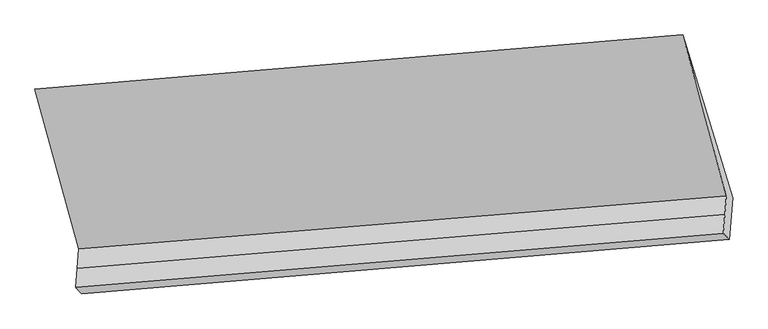
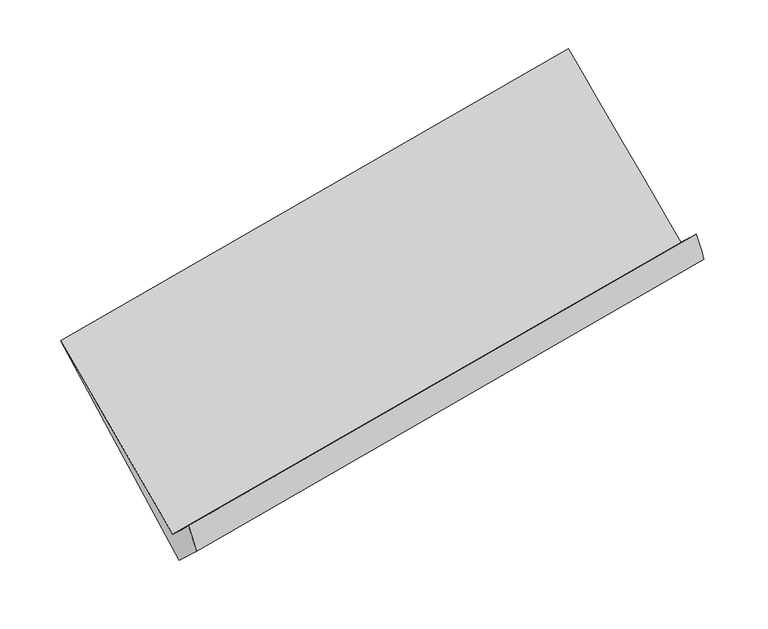
"""IFC4 building model written with IfcOpenShell, lengths in millimetres: proxy geometry."""

from ifc_helpers import new_model, si_unit, frame, origin, place, context, project, spatial, source, transform, mapped, element, save
from ifc_brep_helpers import plane_surface, spline_surface, advanced_brep


def generic_models_81784ad7(model_context):
    return source(origin(), model_context, "Body", "AdvancedBrep", [
        advanced_brep(
        [(-5160.9927415, -1767.1847206, 1282.4882376), (-5172.0272812, -1906.3680873, 1408.3538104), (-477.9407065, -1518.6283947, 2240.7806612), (-467.183988, -1382.9493058, 2118.0840585), (-5183.0618208, -2045.551454, 1534.2193833), (-488.6974249, -1654.3074836, 2363.4772639), (-5139.1831023, -2092.5939375, 1313.7914716), (-445.5959716, -1697.9682687, 2145.76543), (-5114.6827004, -1783.5598938, 1034.3274244), (-421.7587982, -1397.2998085, 1873.8665035), (-5477.2325877, -607.3549025, 2488.3259679), (-783.8740391, -214.8769532, 3322.5642194)],
        [
            (0, 1),
            (1, 2),
            (2, 3),
            (3, 0),
            (1, 4),
            (4, 5),
            (5, 2),
            (4, 6),
            (6, 7),
            (7, 5),
            (6, 8),
            (8, 9),
            (9, 7),
            (8, 10),
            (10, 11),
            (11, 9),
            (10, 0),
            (3, 11),
        ],
        [
            plane_surface(frame((-5166.5100113, -1836.776404, 1345.421024), z_axis=(-0.18313942225270943, 0.6673346832201069, 0.7218894462370699), x_axis=(-0.05870107587958567, -0.7404217683629253, 0.6695743339054281))),
            plane_surface(frame((-5177.544551, -1975.9597707, 1471.2865969), z_axis=(-0.1831394222527104, 0.6673346832200938, 0.7218894462370818), x_axis=(-0.0587010758794912, -0.7404217683629297, 0.6695743339054315))),
            spline_surface(1, 1, [[(-5183.0618208, -2045.551454, 1534.2193833), (-488.6974249, -1654.3074836, 2363.4772639)], [(-5139.1831023, -2092.5939375, 1313.7914716), (-445.5959716, -1697.9682687, 2145.76543)]], [2, 2], [2, 2], [0.0, 1.0], [0.0, 1.0]),
            plane_surface(frame((-5126.9329013, -1938.0769156, 1174.059448), z_axis=(0.18403383748045227, -0.6672612578039432, -0.721729838995256), x_axis=(0.05870107587954301, 0.7404217683629261, -0.669574333905431))),
            spline_surface(1, 1, [[(-5114.6827004, -1783.5598938, 1034.3274244), (-421.7587982, -1397.2998085, 1873.8665035)], [(-5477.2325877, -607.3549025, 2488.3259679), (-783.8740391, -214.8769532, 3322.5642194)]], [2, 2], [2, 2], [0.0, 1.0], [0.0, 1.0]),
            spline_surface(1, 1, [[(-5477.2325877, -607.3549025, 2488.3259679), (-783.8740391, -214.8769532, 3322.5642194)], [(-5160.9927415, -1767.1847206, 1282.4882376), (-467.183988, -1382.9493058, 2118.0840585)]], [2, 2], [2, 2], [0.0, 1.0], [0.0, 1.0]),
            plane_surface(frame((-521.4220444, -1269.480364, 2364.7514951), z_axis=(0.9806251409547709, 0.08280176733472086, 0.17753365949498884), x_axis=(-0.19011421106729098, 0.6207841120343692, 0.7605811416252451))),
            plane_surface(frame((-5215.0305905, -1659.2489817, 1530.6304969), z_axis=(-0.9806251409547712, -0.08280176733472583, -0.17753365949498448), x_axis=(-0.18572621025697217, 0.681162729010065, 0.7081829646575408))),
        ],
        [
            (0, [[1, 2, 3, 4]]),
            (1, [[5, 6, 7, -2]]),
            (2, [[8, 9, 10, -6]]),
            (3, [[11, 12, 13, -9]]),
            (4, [[14, 15, 16, -12]]),
            (5, [[17, -4, 18, -15]]),
            (6, [[-16, -18, -3, -7, -10, -13]]),
            (7, [[-17, -14, -11, -8, -5, -1]]),
        ],
    ),
    ])


if __name__ == "__main__":
    model = new_model("IFC4")
    model_context = context("Model", 3, world=origin())
    ifc_project = project(units=[si_unit("LENGTHUNIT", "METRE", prefix="MILLI")], contexts=[model_context])
    site = spatial("IfcSite", under=ifc_project)
    building = spatial("IfcBuilding", under=site)
    placement = place(None, origin())
    generic_models_shape = generic_models_81784ad7(model_context)
    element("IfcBuildingElementProxy", 1, Name="Generic Models", at=placement, inside=building, context=model_context, shape_type="MappedRepresentation", body=[
        mapped(generic_models_shape, transform((0.0, 0.0, 0.0), x_axis=(1.0, 0.0, 0.0), y_axis=(0.0, 1.0, 0.0), z_axis=(0.0, 0.0, 1.0))),
    ])
    save(model, "model.ifc")
